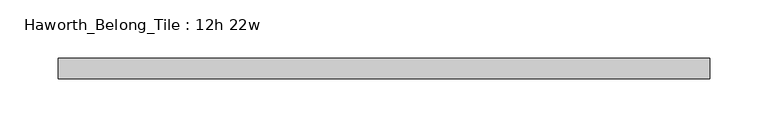
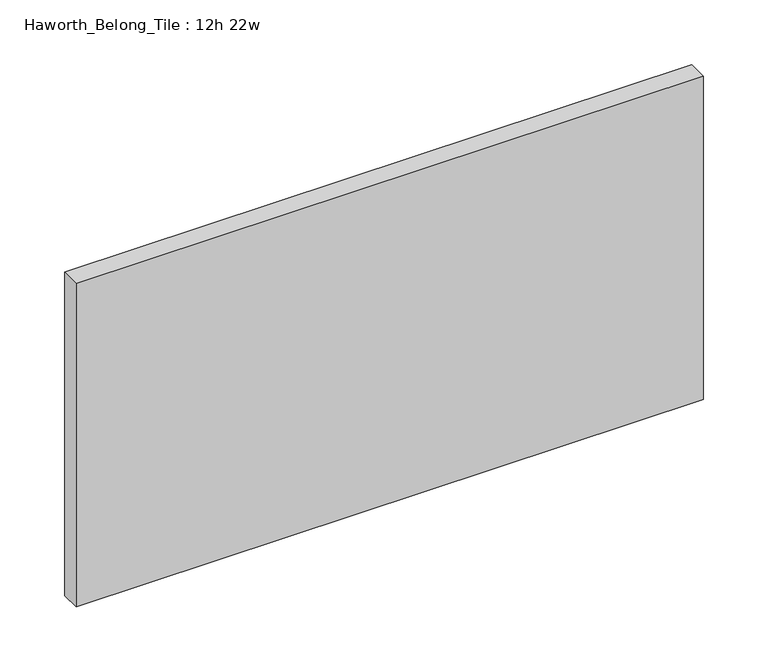
"""IFC4 building model written with IfcOpenShell, lengths in millimetres: furniture geometry, Haworth_Belong_Tile : 12h 22w."""

from ifc_helpers import new_model, si_unit, frame, origin, place, context, project, spatial, polyline, outline, extrude, source, transform, mapped, element, save


def haworth_belong_tile_12h_22w_09dbb32c(model_context):
    return source(origin(), model_context, "Body", "SweptSolid", [
        extrude(outline(polyline([(279.4, 8.73125), (279.4, -8.73125), (-279.4, -8.73125), (-279.4, 8.73125), (279.4, 8.73125)])), frame((0.0, 0.0, 812.8), z_axis=(0.0, 0.0, 1.0), x_axis=(1.0, 0.0, 0.0)), (0.0, 0.0, 1.0), 304.8),
    ])


if __name__ == "__main__":
    model = new_model("IFC4")
    model_context = context("Model", 3, world=origin())
    ifc_project = project(units=[si_unit("LENGTHUNIT", "METRE", prefix="MILLI")], contexts=[model_context])
    site = spatial("IfcSite", under=ifc_project)
    building = spatial("IfcBuilding", under=site)
    placement = place(None, origin())
    haworth_belong_tile_12h_22w_shape = haworth_belong_tile_12h_22w_09dbb32c(model_context)
    element("IfcFurniture", 1, ObjectType="Haworth_Belong_Tile : 12h 22w", at=placement, inside=building, context=model_context, shape_type="MappedRepresentation", body=[
        mapped(haworth_belong_tile_12h_22w_shape, transform((0.0, 0.0, 0.0), x_axis=(1.0, 0.0, 0.0), y_axis=(0.0, 1.0, 0.0), z_axis=(0.0, 0.0, 1.0))),
    ])
    save(model, "model.ifc")
